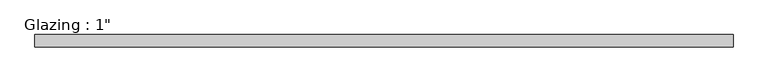
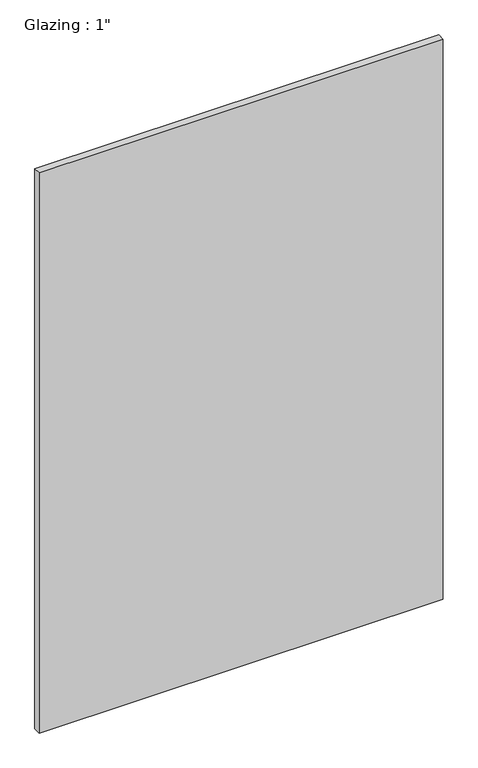
"""IFC4 building model written with IfcOpenShell, lengths in millimetres: plate geometry."""

from ifc_helpers import new_model, si_unit, origin, origin_with_axes, place, context, project, spatial, polyline, outline, extrude, source, transform, mapped, element, save


def plate_c415aa8f(model_context):
    return source(origin(), model_context, "Body", "SweptSolid", [
        extrude(outline(polyline([(713.8074708, -12.7), (-713.8074708, -12.7), (-713.8074708, 12.7), (713.8074708, 12.7), (713.8074708, -12.7)])), origin_with_axes(), (0.0, 0.0, 1.0), 2092.4262856),
    ])


if __name__ == "__main__":
    model = new_model("IFC4")
    model_context = context("Model", 3, world=origin())
    ifc_project = project(units=[si_unit("LENGTHUNIT", "METRE", prefix="MILLI")], contexts=[model_context])
    site = spatial("IfcSite", under=ifc_project)
    building = spatial("IfcBuilding", under=site)
    placement = place(None, origin())
    plate_shape = plate_c415aa8f(model_context)
    element("IfcPlate", 1, ObjectType="Glazing : 1\"", at=placement, inside=building, context=model_context, shape_type="MappedRepresentation", body=[
        mapped(plate_shape, transform((0.0, 0.0, 0.0), x_axis=(1.0, 0.0, 0.0), y_axis=(0.0, 1.0, 0.0), z_axis=(0.0, 0.0, 1.0))),
    ])
    save(model, "model.ifc")
